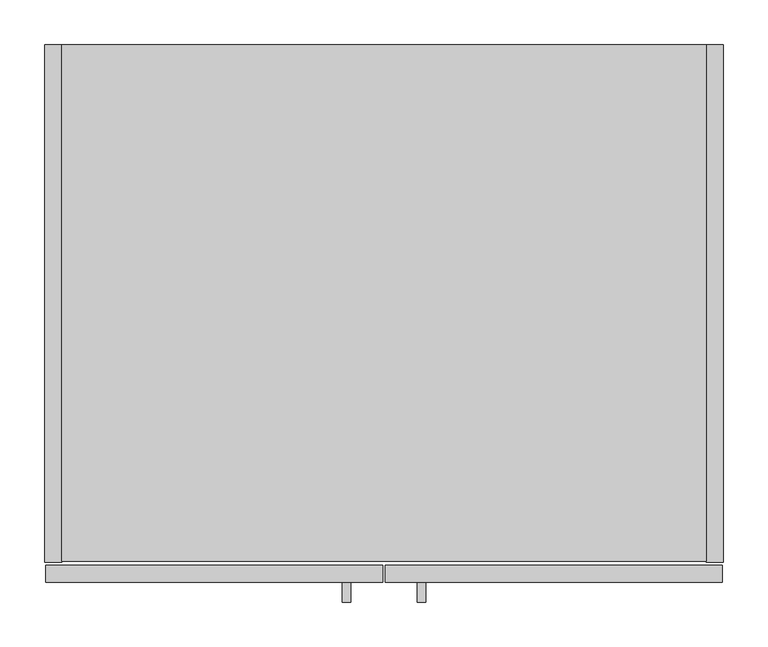
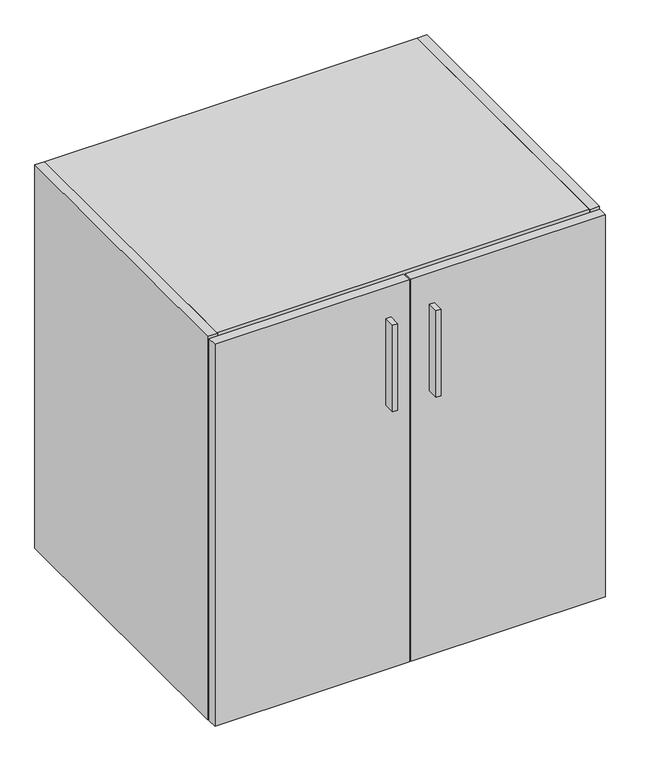
"""IFC4 building model written with IfcOpenShell, lengths in millimetres: furniture geometry."""

from ifc_helpers import new_model, si_unit, frame, origin, place, context, project, spatial, polyline, outline, extrude, source, transform, mapped, element, save


def furniture_8490e87f(model_context):
    return source(origin(), model_context, "Body", "SweptSolid", [
        extrude(outline(polyline([(343.5338631, -625.729), (334.0088631, -625.729), (334.0088631, -603.504), (343.5338631, -603.504), (343.5338631, -625.729)])), frame((0.0, 0.0, 644.525), z_axis=(0.0, 0.0, 1.0), x_axis=(1.0, 0.0, 0.0)), (0.0, 0.0, 1.0), 177.8),
        extrude(outline(polyline([(427.9888631, -625.729), (418.4638631, -625.729), (418.4638631, -603.504), (427.9888631, -603.504), (427.9888631, -625.729)])), frame((0.0, 0.0, 644.525), z_axis=(0.0, 0.0, 1.0), x_axis=(1.0, 0.0, 0.0)), (0.0, 0.0, 1.0), 177.8),
        extrude(outline(polyline([(742.696, 0.0), (742.696, -19.304), (19.304, -19.304), (19.304, 0.0), (742.696, 0.0)])), frame((0.0, 0.0, 120.904), z_axis=(0.0, 0.0, 1.0), x_axis=(1.0, 0.0, 0.0)), (0.0, 0.0, 1.0), 748.792),
        extrude(outline(polyline([(742.696, -580.0344), (19.304, -580.0344), (19.304, 0.0), (742.696, 0.0), (742.696, -580.0344)])), frame((0.0, 0.0, 869.696), z_axis=(0.0, 0.0, 1.0), x_axis=(1.0, 0.0, 0.0)), (0.0, 0.0, 1.0), 19.304),
        extrude(outline(polyline([(19.304, 0.0), (19.304, -581.025), (0.0, -581.025), (0.0, 0.0), (19.304, 0.0)])), frame((0.0, 0.0, 101.6), z_axis=(0.0, 0.0, 1.0), x_axis=(1.0, 0.0, 0.0)), (0.0, 0.0, 1.0), 787.4),
        extrude(outline(polyline([(742.696, 0.0), (762.0, 0.0), (762.0, -581.025), (742.696, -581.025), (742.696, 0.0)])), frame((0.0, 0.0, 101.6), z_axis=(0.0, 0.0, 1.0), x_axis=(1.0, 0.0, 0.0)), (0.0, 0.0, 1.0), 787.4),
        extrude(outline(polyline([(742.696, 0.0), (742.696, -580.0344), (19.304, -580.0344), (19.304, 0.0), (742.696, 0.0)])), frame((0.0, 0.0, 101.6), z_axis=(0.0, 0.0, 1.0), x_axis=(1.0, 0.0, 0.0)), (0.0, 0.0, 1.0), 19.304),
        extrude(outline(polyline([(760.4125, -603.504), (382.5875, -603.504), (382.5875, -584.2), (760.4125, -584.2), (760.4125, -603.504)])), frame((0.0, 0.0, 101.6), z_axis=(0.0, 0.0, 1.0), x_axis=(1.0, 0.0, 0.0)), (0.0, 0.0, 1.0), 784.225),
        extrude(outline(polyline([(379.4125, -603.504), (1.5875, -603.504), (1.5875, -584.2), (379.4125, -584.2), (379.4125, -603.504)])), frame((0.0, 0.0, 101.6), z_axis=(0.0, 0.0, 1.0), x_axis=(1.0, 0.0, 0.0)), (0.0, 0.0, 1.0), 784.225),
    ])


if __name__ == "__main__":
    model = new_model("IFC4")
    model_context = context("Model", 3, world=origin())
    ifc_project = project(units=[si_unit("LENGTHUNIT", "METRE", prefix="MILLI")], contexts=[model_context])
    site = spatial("IfcSite", under=ifc_project)
    building = spatial("IfcBuilding", under=site)
    placement = place(None, origin())
    furniture_shape = furniture_8490e87f(model_context)
    element("IfcFurniture", 1, at=placement, inside=building, context=model_context, shape_type="MappedRepresentation", body=[
        mapped(furniture_shape, transform((0.0, 0.0, 0.0), x_axis=(1.0, 0.0, 0.0), y_axis=(0.0, 1.0, 0.0), z_axis=(0.0, 0.0, 1.0))),
    ])
    save(model, "model.ifc")
